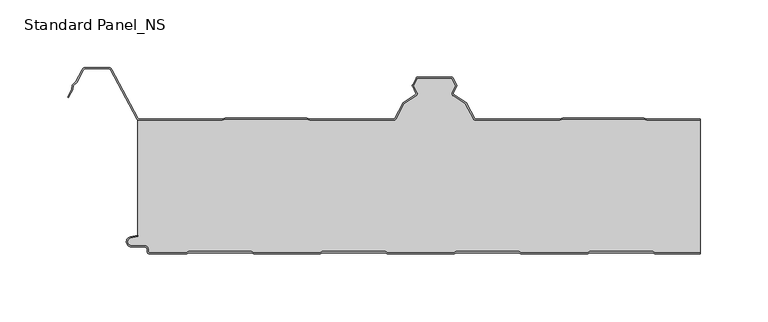
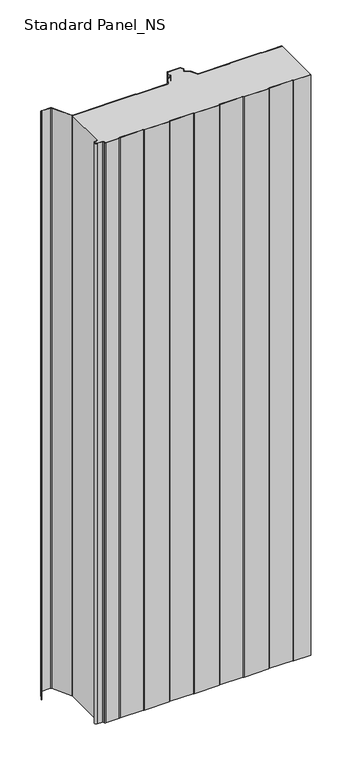
"""IFC4 building model written with IfcOpenShell, lengths in millimetres: proxy geometry, Standard Panel_NS."""

from ifc_helpers import new_model, si_unit, point, frame_2d, origin, origin_with_axes, place, context, project, spatial, polyline, circle_curve, trimmed, segment, composite_curve, outline, extrude, source, transform, mapped, element, save


def standard_panel_ns_0400c9d8(model_context):
    return source(origin(), model_context, "Body", "SweptSolid", [
        extrude(outline(composite_curve([segment(polyline([(189.9831604, 0.0), (188.2086589, 1.0), (142.2089551, 1.0), (140.4769043, 0.0), (90.9831604, 0.0), (89.2086589, 1.0), (43.2089551, 1.0), (41.4769043, 0.0), (-8.0230957, 0.0), (-9.7551465, 1.0), (-55.7910449, 1.0), (-57.5230957, -0.013703), (-107.0168396, -0.013703), (-108.7913411, 0.986297), (-154.7910449, 0.986297), (-156.5230957, -0.013703), (-183.7507504, -0.013703)]), True, "CONTINUOUS"), segment(trimmed(circle_curve(frame_2d((-183.7507504, 2.036297)), 2.05), [point((-183.7507504, -0.013703))], [point((-185.8007504, 2.036297))], False, "CARTESIAN"), True, "CONTINUOUS"), segment(polyline([(-185.8007504, 2.036297), (-185.8007504, 3.436297)]), True, "CONTINUOUS"), segment(trimmed(circle_curve(frame_2d((-187.7507504, 3.436297)), 1.95), [point((-185.8007504, 3.436297))], [point((-187.7507504, 5.386297))], True, "CARTESIAN"), True, "CONTINUOUS"), segment(polyline([(-187.7507504, 5.386297), (-197.5507504, 5.386297)]), True, "CONTINUOUS"), segment(trimmed(circle_curve(frame_2d((-197.5507504, 9.036297)), 3.65), [point((-197.5507504, 5.386297))], [point((-198.3718217, 12.5927478))], False, "CARTESIAN"), True, "CONTINUOUS"), segment(polyline([(-198.3718217, 12.5927478), (-192.9286061, 13.8494131), (-192.7486452, 13.0699171), (-198.1918609, 11.8132517)]), True, "CONTINUOUS"), segment(trimmed(circle_curve(frame_2d((-197.5507504, 9.036297)), 2.85), [point((-198.1918609, 11.8132517))], [point((-197.5507504, 6.186297))], True, "CARTESIAN"), True, "CONTINUOUS"), segment(polyline([(-197.5507504, 6.186297), (-187.7507504, 6.186297)]), True, "CONTINUOUS"), segment(trimmed(circle_curve(frame_2d((-187.7507504, 3.436297)), 2.75), [point((-187.7507504, 6.186297))], [point((-185.0007504, 3.436297))], False, "CARTESIAN"), True, "CONTINUOUS"), segment(polyline([(-185.0007504, 3.436297), (-185.0007504, 2.036297)]), True, "CONTINUOUS"), segment(trimmed(circle_curve(frame_2d((-183.7507504, 2.036297)), 1.25), [point((-185.0007504, 2.036297))], [point((-183.7507504, 0.786297))], True, "CARTESIAN"), True, "CONTINUOUS"), segment(polyline([(-183.7507504, 0.786297), (-156.737455, 0.786297), (-155.0054042, 1.786297), (-108.5814431, 1.786297), (-106.8069416, 0.786297), (-57.737455, 0.786297), (-56.0054042, 1.8), (-9.5407871, 1.8), (-7.8087363, 0.8), (41.262545, 0.8), (42.9945958, 1.8), (89.4185569, 1.8), (91.1930584, 0.8), (140.262545, 0.8), (141.9945958, 1.8), (188.4185569, 1.8), (190.1930584, 0.8), (223.9042607, 0.8), (223.9042607, 0.0), (189.9831604, 0.0)]), True, "CONTINUOUS")], self_intersect=False)), origin_with_axes(), (0.0, 0.0, 1.0), 1219.2),
        extrude(outline(composite_curve([segment(polyline([(-191.3607504, 100.0), (-130.2226037, 100.0), (-127.8409703, 100.9683897), (-67.7367801, 100.9683897), (-65.3551468, 100.0), (-3.3730141, 100.0)]), True, "CONTINUOUS"), segment(trimmed(circle_curve(frame_2d((-3.3750906, 100.9999978)), 1.0), [point((-3.3730141, 100.0))], [point((-2.4921477, 100.5305175))], True, "CARTESIAN"), True, "CONTINUOUS"), segment(polyline([(-2.4921477, 100.5305175), (3.7317189, 112.2356263), (12.8940779, 118.0365524)]), True, "CONTINUOUS"), segment(trimmed(circle_curve(frame_2d((12.3591509, 118.8814507)), 1.0), [point((12.8940779, 118.0365524))], [point((13.2530523, 119.3297144))], True, "CARTESIAN"), True, "CONTINUOUS"), segment(polyline([(13.2530523, 119.3297144), (10.7022883, 124.4163001)]), True, "CONTINUOUS"), segment(trimmed(circle_curve(frame_2d((11.5961897, 124.8645637)), 1.0), [point((10.7022883, 124.4163001))], [point((10.7132468, 125.3340441))], False, "CARTESIAN"), True, "CONTINUOUS"), segment(polyline([(10.7132468, 125.3340441), (13.4449029, 130.4714183)]), True, "CONTINUOUS"), segment(trimmed(circle_curve(frame_2d((14.7693172, 129.7671978)), 1.5), [point((13.4449029, 130.4714183))], [point((14.7964212, 131.2669529))], False, "CARTESIAN"), True, "CONTINUOUS"), segment(polyline([(14.7964212, 131.2669529), (39.4219504, 131.2669529)]), True, "CONTINUOUS"), segment(trimmed(circle_curve(frame_2d((39.4219504, 129.7669529)), 1.5), [point((39.4219504, 131.2669529))], [point((40.7463788, 130.4711471))], False, "CARTESIAN"), True, "CONTINUOUS"), segment(polyline([(40.7463788, 130.4711471), (43.4835237, 125.3232034)]), True, "CONTINUOUS"), segment(trimmed(circle_curve(frame_2d((42.6005714, 124.8537406)), 1.0), [point((43.4835237, 125.3232034))], [point((43.4944639, 124.4054592))], False, "CARTESIAN"), True, "CONTINUOUS"), segment(polyline([(43.4944639, 124.4054592), (40.9489617, 119.329618)]), True, "CONTINUOUS"), segment(trimmed(circle_curve(frame_2d((41.8428542, 118.8813366)), 1.0), [point((40.9489617, 119.329618))], [point((41.3079104, 118.0364489))], True, "CARTESIAN"), True, "CONTINUOUS"), segment(polyline([(41.3079104, 118.0364489), (50.4534972, 112.2458871), (56.6825853, 100.5303966)]), True, "CONTINUOUS"), segment(trimmed(circle_curve(frame_2d((57.5653038, 100.9997352)), 0.9997353), [point((56.6825853, 100.5303966))], [point((57.5653038, 99.9999999))], True, "CARTESIAN"), True, "CONTINUOUS"), segment(polyline([(57.5653038, 99.9999999), (119.546444, 99.9999999), (121.9280844, 100.9683897), (182.032274, 100.9683897), (184.4139138, 100.0), (223.9042607, 100.0), (223.9042607, 99.2), (184.2574895, 99.2), (181.8758496, 100.1683897), (122.0845088, 100.1683897), (119.7028683, 99.2), (57.5653038, 99.2)]), True, "CONTINUOUS"), segment(trimmed(circle_curve(frame_2d((57.5653038, 100.9997352)), 1.7997352), [point((57.5653038, 99.2))], [point((55.9762236, 100.1548264))], False, "CARTESIAN"), True, "CONTINUOUS"), segment(polyline([(55.9762236, 100.1548264), (49.8465774, 111.6832892), (40.8799555, 117.3605387)]), True, "CONTINUOUS"), segment(trimmed(circle_curve(frame_2d((41.8428542, 118.8813366)), 1.8), [point((40.8799555, 117.3605387))], [point((40.2338477, 119.6882431))], False, "CARTESIAN"), True, "CONTINUOUS"), segment(polyline([(40.2338477, 119.6882431), (42.8256576, 124.8564238), (39.8425575, 130.4669529), (14.3485893, 130.4669529), (11.3711036, 124.8672514), (13.9681734, 119.6883253)]), True, "CONTINUOUS"), segment(trimmed(circle_curve(frame_2d((12.3591509, 118.8814507)), 1.8), [point((13.9681734, 119.6883253))], [point((13.3220194, 117.3606338))], False, "CARTESIAN"), True, "CONTINUOUS"), segment(polyline([(13.3220194, 117.3606338), (4.3386275, 111.6730163), (-1.7857934, 100.1549332)]), True, "CONTINUOUS"), segment(trimmed(circle_curve(frame_2d((-3.3750906, 100.9999978)), 1.8), [point((-1.7857934, 100.1549332))], [point((-3.3723047, 99.2))], False, "CARTESIAN"), True, "CONTINUOUS"), segment(polyline([(-3.3723047, 99.2), (-65.5115715, 99.2), (-67.8932049, 100.1683897), (-127.6845456, 100.1683897), (-130.0661789, 99.2), (-191.3607504, 99.2)]), True, "CONTINUOUS"), segment(trimmed(circle_curve(frame_2d((-191.3607504, 101.75)), 2.55), [point((-191.3607504, 99.2))], [point((-193.6122667, 100.5528475))], False, "CARTESIAN"), True, "CONTINUOUS"), segment(polyline([(-193.6122667, 100.5528475), (-212.7155013, 136.4808064)]), True, "CONTINUOUS"), segment(trimmed(circle_curve(frame_2d((-214.5255439, 135.5183897)), 2.05), [point((-212.7155013, 136.4808064))], [point((-214.5255439, 137.5683897))], True, "CARTESIAN"), True, "CONTINUOUS"), segment(polyline([(-214.5255439, 137.5683897), (-231.2663514, 137.5683897)]), True, "CONTINUOUS"), segment(trimmed(circle_curve(frame_2d((-231.2663514, 135.5183897)), 2.05), [point((-231.2663514, 137.5683897))], [point((-233.076394, 136.4808064))], True, "CARTESIAN"), True, "CONTINUOUS"), segment(polyline([(-233.076394, 136.4808064), (-238.0216911, 127.1800551), (-240.3428004, 124.9723908), (-240.9163332, 121.7360251), (-244.0441824, 115.8533964), (-244.7505404, 116.2289737), (-241.6820111, 122.000038), (-241.084649, 125.3708693), (-238.6671014, 127.6702585), (-233.782752, 136.8563836)]), True, "CONTINUOUS"), segment(trimmed(circle_curve(frame_2d((-231.2663514, 135.5183897)), 2.85), [point((-233.782752, 136.8563836))], [point((-231.2663514, 138.3683897))], False, "CARTESIAN"), True, "CONTINUOUS"), segment(polyline([(-231.2663514, 138.3683897), (-214.5255439, 138.3683897)]), True, "CONTINUOUS"), segment(trimmed(circle_curve(frame_2d((-214.5255439, 135.5183897)), 2.85), [point((-214.5255439, 138.3683897))], [point((-212.0091432, 136.8563836))], False, "CARTESIAN"), True, "CONTINUOUS"), segment(polyline([(-212.0091432, 136.8563836), (-192.9059087, 100.9284248)]), True, "CONTINUOUS"), segment(trimmed(circle_curve(frame_2d((-191.3607504, 101.75)), 1.75), [point((-192.9059087, 100.9284248))], [point((-191.3607504, 100.0))], True, "CARTESIAN"), True, "CONTINUOUS")], self_intersect=False)), origin_with_axes(), (0.0, 0.0, 1.0), 1219.2),
        extrude(outline(composite_curve([segment(polyline([(-191.3607504, 99.2), (-130.0661789, 99.2), (-127.6845456, 100.1683897), (-67.8932049, 100.1683897), (-65.5115715, 99.2), (-3.3723047, 99.2)]), True, "CONTINUOUS"), segment(trimmed(circle_curve(frame_2d((-3.3750906, 100.9999978)), 1.8), [point((-3.3723047, 99.2))], [point((-1.7857934, 100.1549332))], True, "CARTESIAN"), True, "CONTINUOUS"), segment(polyline([(-1.7857934, 100.1549332), (4.3386275, 111.6730163), (13.3220194, 117.3606338)]), True, "CONTINUOUS"), segment(trimmed(circle_curve(frame_2d((12.3591509, 118.8814507)), 1.8), [point((13.3220194, 117.3606338))], [point((13.9681734, 119.6883253))], True, "CARTESIAN"), True, "CONTINUOUS"), segment(polyline([(13.9681734, 119.6883253), (11.3711036, 124.8672514), (14.3485893, 130.4669529), (39.8425575, 130.4669529), (42.8256576, 124.8564238), (40.2338477, 119.6882431)]), True, "CONTINUOUS"), segment(trimmed(circle_curve(frame_2d((41.8428542, 118.8813366)), 1.8), [point((40.2338477, 119.6882431))], [point((40.8799555, 117.3605387))], True, "CARTESIAN"), True, "CONTINUOUS"), segment(polyline([(40.8799555, 117.3605387), (49.8465774, 111.6832892), (55.9762236, 100.1548264)]), True, "CONTINUOUS"), segment(trimmed(circle_curve(frame_2d((57.5653038, 100.9997352)), 1.7997352), [point((55.9762236, 100.1548264))], [point((57.5653038, 99.2))], True, "CARTESIAN"), True, "CONTINUOUS"), segment(polyline([(57.5653038, 99.2), (119.7028683, 99.2), (122.0845088, 100.1683897), (181.8758496, 100.1683897), (184.2574895, 99.2), (223.9042607, 99.2), (223.9042607, 0.8), (190.1930584, 0.8), (188.4185569, 1.8), (141.9945958, 1.8), (140.262545, 0.8), (91.1930584, 0.8), (89.4185569, 1.8), (42.9945958, 1.8), (41.262545, 0.8), (-7.8087363, 0.8), (-9.5407871, 1.8), (-56.0054042, 1.8), (-57.737455, 0.786297), (-106.8069416, 0.786297), (-108.5814431, 1.786297), (-155.0054042, 1.786297), (-156.737455, 0.786297), (-183.7507504, 0.786297)]), True, "CONTINUOUS"), segment(trimmed(circle_curve(frame_2d((-183.7507504, 2.036297)), 1.25), [point((-183.7507504, 0.786297))], [point((-185.0007504, 2.036297))], False, "CARTESIAN"), True, "CONTINUOUS"), segment(polyline([(-185.0007504, 2.036297), (-185.0007504, 3.436297)]), True, "CONTINUOUS"), segment(trimmed(circle_curve(frame_2d((-187.7507504, 3.436297)), 2.75), [point((-185.0007504, 3.436297))], [point((-187.7507504, 6.186297))], True, "CARTESIAN"), True, "CONTINUOUS"), segment(polyline([(-187.7507504, 6.186297), (-197.5507504, 6.186297)]), True, "CONTINUOUS"), segment(trimmed(circle_curve(frame_2d((-197.5507504, 9.036297)), 2.85), [point((-197.5507504, 6.186297))], [point((-198.1918609, 11.8132517))], False, "CARTESIAN"), True, "CONTINUOUS"), segment(polyline([(-198.1918609, 11.8132517), (-192.7486452, 13.0699171), (-192.7486452, 99.6107833)]), True, "CONTINUOUS"), segment(trimmed(circle_curve(frame_2d((-191.3607504, 101.75)), 2.55), [point((-192.7486452, 99.6107833))], [point((-191.3607504, 99.2))], True, "CARTESIAN"), True, "CONTINUOUS")], self_intersect=False)), origin_with_axes(), (0.0, 0.0, 1.0), 1219.2),
    ])


if __name__ == "__main__":
    model = new_model("IFC4")
    model_context = context("Model", 3, world=origin())
    ifc_project = project(units=[si_unit("LENGTHUNIT", "METRE", prefix="MILLI")], contexts=[model_context])
    site = spatial("IfcSite", under=ifc_project)
    building = spatial("IfcBuilding", under=site)
    placement = place(None, origin())
    standard_panel_ns_shape = standard_panel_ns_0400c9d8(model_context)
    element("IfcBuildingElementProxy", 1, Name="Standard Panel_NS", ObjectType="Standard Panel_NS", at=placement, inside=building, context=model_context, shape_type="MappedRepresentation", body=[
        mapped(standard_panel_ns_shape, transform((0.0, 0.0, 0.0), x_axis=(1.0, 0.0, 0.0), y_axis=(0.0, 1.0, 0.0), z_axis=(0.0, 0.0, 1.0))),
    ])
    save(model, "model.ifc")
